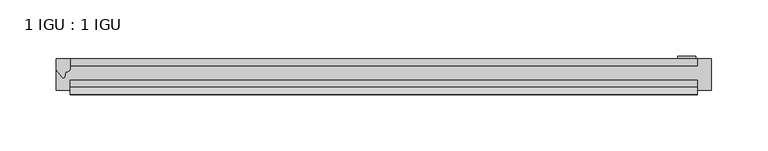
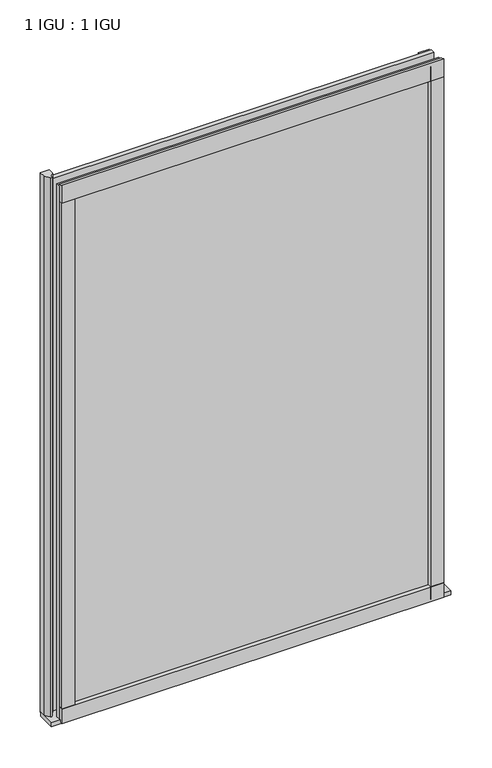
"""IFC4 building model written with IfcOpenShell, lengths in millimetres: plate geometry, 1 IGU : 1 IGU."""

import ifcopenshell
import ifcopenshell.guid

model = None  # the IFC model being written
_history = None  # IfcOwnerHistory: only IFC2X3 demands one
_inside = {}  # id of a spatial element -> (the spatial element, [elements in it])
_under = {}  # id of a project, library or spatial element -> (it, [spatial elements below it])
_declared = {}  # id of a project -> (the project, [libraries it declares])
_typed = {}  # id of a type object -> (the type object, [elements of that type])
_made_of = {}  # id of a material, layer set ... -> (it, [elements and type objects made of it])


def new_model(schema):
    """Start an empty IFC model of exactly this schema.

    Asked for "IFC4X3", IfcOpenShell would pick the latest addendum, in which some entities
    have other attributes; the version numbers below select the first issue.
    IFC2X3 requires an IfcOwnerHistory on every rooted entity: one is made here for all.
    """
    global model, _history
    if schema == "IFC4X3":
        model = ifcopenshell.file(schema_version=(4, 3, 0, 0))
    else:
        model = ifcopenshell.file(schema=schema)
    _inside.clear()
    _under.clear()
    _declared.clear()
    _typed.clear()
    _made_of.clear()
    _history = None
    if model.schema == "IFC2X3":
        org = make("IfcOrganization", Name="unknown")
        user = make(
            "IfcPersonAndOrganization",
            ThePerson=make("IfcPerson", FamilyName="unknown"),
            TheOrganization=org,
        )
        app = make(
            "IfcApplication",
            ApplicationDeveloper=org,
            Version="unknown",
            ApplicationFullName="unknown",
            ApplicationIdentifier="unknown",
        )
        _history = make(
            "IfcOwnerHistory",
            OwningUser=user,
            OwningApplication=app,
            ChangeAction="ADDED",
            CreationDate=0,
        )
    return model


def make(cls, **values):
    """One entity of the class cls with the attributes given. An attribute that is None is left unset."""
    return model.create_entity(
        cls, **{name: value for name, value in values.items() if value is not None}
    )


def rooted(cls, **values):
    """An entity with a GlobalId (a new one), such as an element, a storey or a relation."""
    return make(cls, GlobalId=ifcopenshell.guid.new(), OwnerHistory=_history, **values)


def si_unit(unit_type, name, prefix=None):
    """IfcSIUnit, for example si_unit("LENGTHUNIT", "METRE", prefix="MILLI")."""
    return make("IfcSIUnit", UnitType=unit_type, Prefix=prefix, Name=name)


def assignment(units):
    """IfcUnitAssignment: the units of a project."""
    return None if units is None else make("IfcUnitAssignment", Units=units)


def point(xyz):
    """IfcCartesianPoint."""
    return None if xyz is None else make("IfcCartesianPoint", Coordinates=xyz)


def direction(xyz):
    """IfcDirection."""
    return None if xyz is None else make("IfcDirection", DirectionRatios=xyz)


def frame(location, z_axis=None, x_axis=None):
    """IfcAxis2Placement3D, a coordinate frame: its origin and axes. An axis left out is left unset."""
    return make(
        "IfcAxis2Placement3D",
        Location=point(location),
        Axis=direction(z_axis),
        RefDirection=direction(x_axis),
    )


def frame_2d(location, x_axis=None):
    """IfcAxis2Placement2D, a coordinate frame in the plane: its origin and x axis."""
    return make(
        "IfcAxis2Placement2D", Location=point(location), RefDirection=direction(x_axis)
    )


def origin():
    """The frame at (0, 0, 0) with its axes left unset."""
    return frame((0.0, 0.0, 0.0))


def place(relative_to, where):
    """IfcLocalPlacement: puts the frame where relative to a parent placement (None: the world)."""
    return make(
        "IfcLocalPlacement", PlacementRelTo=relative_to, RelativePlacement=where
    )


def context(
    kind, dimensions, precision=None, world=None, true_north=None, identifier=None
):
    """IfcGeometricRepresentationContext, for example the 3D "Model" context."""
    return make(
        "IfcGeometricRepresentationContext",
        ContextIdentifier=identifier,
        ContextType=kind,
        CoordinateSpaceDimension=dimensions,
        Precision=precision,
        WorldCoordinateSystem=world,
        TrueNorth=true_north,
    )


def project(units=None, contexts=None):
    """IfcProject with its units and contexts."""
    return rooted(
        "IfcProject",
        Name="project",
        RepresentationContexts=contexts,
        UnitsInContext=assignment(units),
    )


def spatial(cls, under=None, at=None, **own):
    """A site, building, storey or space (cls), placed at a placement, below another one or the project."""
    s = rooted(cls, ObjectPlacement=at, **own)
    if under is not None:
        _under.setdefault(under.id(), (under, []))[1].append(s)
    return s


def polyline(points):
    """IfcPolyline through the points."""
    return make("IfcPolyline", Points=[point(p) for p in points])


def circle_curve(where, radius):
    """IfcCircle in the frame where."""
    return make("IfcCircle", Position=where, Radius=radius)


def trimmed(basis, trim1, trim2, sense, master):
    """IfcTrimmedCurve: the piece of a basis curve between two trims."""
    return make(
        "IfcTrimmedCurve",
        BasisCurve=basis,
        Trim1=trim1,
        Trim2=trim2,
        SenseAgreement=sense,
        MasterRepresentation=master,
    )


def segment(curve, same_sense, transition):
    """IfcCompositeCurveSegment."""
    return make(
        "IfcCompositeCurveSegment",
        Transition=transition,
        SameSense=same_sense,
        ParentCurve=curve,
    )


def composite_curve(segments, self_intersect=None):
    """IfcCompositeCurve: segments joined end to end."""
    return make("IfcCompositeCurve", Segments=segments, SelfIntersect=self_intersect)


def outline(outer, holes=None, kind="AREA"):
    """IfcArbitraryClosedProfileDef: a profile drawn as a closed curve; with holes, ...WithVoids."""
    if holes is None:
        return make("IfcArbitraryClosedProfileDef", ProfileType=kind, OuterCurve=outer)
    return make(
        "IfcArbitraryProfileDefWithVoids",
        ProfileType=kind,
        OuterCurve=outer,
        InnerCurves=holes,
    )


def extrude(swept, where, along, depth):
    """IfcExtrudedAreaSolid: the profile swept, set in the frame where, extruded along a direction by depth."""
    return make(
        "IfcExtrudedAreaSolid",
        SweptArea=swept,
        Position=where,
        ExtrudedDirection=direction(along),
        Depth=depth,
    )


def shape(context_of_items, identifier, shape_type, items):
    """IfcShapeRepresentation: the items that make up one representation, for example the "Body"."""
    return make(
        "IfcShapeRepresentation",
        ContextOfItems=context_of_items,
        RepresentationIdentifier=identifier,
        RepresentationType=shape_type,
        Items=items,
    )


def source(mapping_origin, context_of_items, identifier, shape_type, items):
    """IfcRepresentationMap: a shape defined once, which mapped items show again and again."""
    return make(
        "IfcRepresentationMap",
        MappingOrigin=mapping_origin,
        MappedRepresentation=shape(context_of_items, identifier, shape_type, items),
    )


def transform(
    local_origin,
    x_axis=None,
    y_axis=None,
    z_axis=None,
    scale=None,
    scale2=None,
    scale3=None,
    uniform=True,
):
    """IfcCartesianTransformationOperator3D, or its non-uniform kind. x_axis, y_axis, z_axis: its Axis1, 2, 3."""
    if uniform:
        return make(
            "IfcCartesianTransformationOperator3D",
            Axis1=direction(x_axis),
            Axis2=direction(y_axis),
            LocalOrigin=point(local_origin),
            Scale=scale,
            Axis3=direction(z_axis),
        )
    return make(
        "IfcCartesianTransformationOperator3DnonUniform",
        Axis1=direction(x_axis),
        Axis2=direction(y_axis),
        LocalOrigin=point(local_origin),
        Scale=scale,
        Axis3=direction(z_axis),
        Scale2=scale2,
        Scale3=scale3,
    )


def mapped(mapping_source, mapping_target):
    """IfcMappedItem: shows the shape of a source again, moved by a transform."""
    return make(
        "IfcMappedItem", MappingSource=mapping_source, MappingTarget=mapping_target
    )


def made_of(thing, what):
    """Note that an element or type object is made of a material, layer set ...; save() writes the relation."""
    if what is not None:
        _made_of.setdefault(what.id(), (what, []))[1].append(thing)
    return thing


def element(
    cls,
    number,
    at=None,
    inside=None,
    cuts=None,
    type_object=None,
    material=None,
    context=None,
    identifier="Body",
    shape_type=None,
    held_by="IfcProductDefinitionShape",
    body=None,
    shapes=None,
    **own,
):
    """One element of the class cls, such as IfcWall. Its Tag is "e" and its number.

    at: its placement. inside: the storey or other place that contains it. cuts: it is an
    opening in that element (IfcRelVoidsElement). A single representation is given by context,
    identifier, shape_type and body (its items); several are given by shapes. held_by: the class
    of the entity that holds the representations. save() writes the other relations.
    """
    e = rooted(cls, Tag="e%d" % number, ObjectPlacement=at, **own)
    if body is not None:
        shapes = [shape(context, identifier, shape_type, body)]
    if shapes is not None:
        e.Representation = make(held_by, Representations=shapes)
    if inside is not None:
        _inside.setdefault(inside.id(), (inside, []))[1].append(e)
    if cuts is not None:
        rooted(
            "IfcRelVoidsElement", RelatingBuildingElement=cuts, RelatedOpeningElement=e
        )
    if type_object is not None:
        _typed.setdefault(type_object.id(), (type_object, []))[1].append(e)
    return made_of(e, material)


def aggregate(whole, parts):
    """IfcRelAggregates: a whole, such as a stair, and the parts it consists of."""
    return rooted("IfcRelAggregates", RelatingObject=whole, RelatedObjects=parts)


def save(model, path):
    """Write the relations noted so far, then the file.

    IfcRelAggregates (storeys below a building ...), IfcRelContainedInSpatialStructure (elements
    in a storey), IfcRelDefinesByType, IfcRelAssociatesMaterial and IfcRelDeclares: one each for
    every whole, place, type object, material and project.
    """
    for whole, parts in _under.values():
        aggregate(whole, parts)
    for where, things in _inside.values():
        rooted(
            "IfcRelContainedInSpatialStructure",
            RelatedElements=things,
            RelatingStructure=where,
        )
    for kind, things in _typed.values():
        rooted("IfcRelDefinesByType", RelatedObjects=things, RelatingType=kind)
    for what, things in _made_of.values():
        rooted("IfcRelAssociatesMaterial", RelatedObjects=things, RelatingMaterial=what)
    for by, libraries in _declared.values():
        rooted("IfcRelDeclares", RelatingContext=by, RelatedDefinitions=libraries)
    model.write(path)


def plate_1_igu_1_igu_3be115eb(model_context):
    return source(origin(), model_context, "Body", "SweptSolid", [
        extrude(outline(polyline([(278.9031125, 0.0021347), (278.9031125, -6.2992), (-278.9031125, -6.2992), (-278.9031125, 0.0021347), (278.9031125, 0.0021347)])), frame((0.0, 0.0, -19.05), z_axis=(0.0, 0.0, 1.0), x_axis=(1.0, 0.0, 0.0)), (0.0, 0.0, 1.0), 822.3250001),
        extrude(outline(polyline([(-278.9031125, -19.0986653), (278.9031125, -19.0986653), (278.9031125, -25.3978653), (-278.9031125, -25.3978653), (-278.9031125, -19.0986653)])), frame((0.0, 0.0, -19.05), z_axis=(0.0, 0.0, 1.0), x_axis=(1.0, 0.0, 0.0)), (0.0, 0.0, 1.0), 822.3250001),
        extrude(outline(composite_curve([segment(trimmed(circle_curve(frame_2d((10.9021792, -22.6833935)), 11.4916952), [point((0.0, -19.05))], [point((-0.2638007, -25.4))], True, "CARTESIAN"), True, "CONTINUOUS"), segment(polyline([(-0.2638007, -25.4), (-27.9952564, -25.4), (-27.9952564, -19.05), (0.0, -19.05)]), True, "CONTINUOUS")], self_intersect=False)), frame((-291.6031125, 0.0, 0.0), z_axis=(1.0, 0.0, 0.0), x_axis=(0.0, 1.0, 0.0)), (0.0, 0.0, 1.0), 583.206225),
        extrude(outline(composite_curve([segment(polyline([(-278.9031125, 8.8e-06), (-278.9031125, -7.7683362)]), True, "CONTINUOUS"), segment(trimmed(circle_curve(frame_2d((-282.8746104, -7.7683362)), 3.9714979), [point((-278.9031125, -7.7683362))], [point((-283.0020623, -11.7377885))], False, "CARTESIAN"), True, "CONTINUOUS"), segment(polyline([(-283.0020623, -11.7377885), (-283.9820968, -16.012436)]), True, "CONTINUOUS"), segment(trimmed(circle_curve(frame_2d((-285.0833058, -15.7723555)), 1.1270758), [point((-283.9820968, -16.012436))], [point((-286.0371452, -16.372764))], False, "CARTESIAN"), True, "CONTINUOUS"), segment(polyline([(-286.0371452, -16.372764), (-291.6031125, -9.7395025), (-291.6031125, 8.8e-06), (-278.9031125, 8.8e-06)]), True, "CONTINUOUS")], self_intersect=False)), frame((0.0, 0.0, -19.05), z_axis=(0.0, 0.0, 1.0), x_axis=(1.0, 0.0, 0.0)), (0.0, 0.0, 1.0), 832.6374001),
        extrude(outline(composite_curve([segment(polyline([(-31.75, 0.0), (-25.4, 0.0), (-25.4, -22.225)]), True, "CONTINUOUS"), segment(trimmed(circle_curve(frame_2d((-28.575, -28.9113452)), 7.4018806), [point((-25.4, -22.225))], [point((-31.75, -22.225))], True, "CARTESIAN"), True, "CONTINUOUS"), segment(polyline([(-31.75, -22.225), (-31.75, 0.0)]), True, "CONTINUOUS")], self_intersect=False)), frame((-278.9031125, 0.0, 0.0), z_axis=(1.0, 0.0, 0.0), x_axis=(0.0, 1.0, 0.0)), (0.0, 0.0, 1.0), 557.806225),
        extrude(outline(composite_curve([segment(polyline([(-25.4, 806.4500001), (-25.4, 781.0500001), (-31.75, 781.0500001), (-31.75, 809.2228974)]), True, "CONTINUOUS"), segment(trimmed(circle_curve(frame_2d((-24.1401272, 817.9924116)), 11.6109665), [point((-31.75, 809.2228974))], [point((-25.4, 806.4500001))], True, "CARTESIAN"), True, "CONTINUOUS")], self_intersect=False)), frame((-278.9031125, 0.0, 0.0), z_axis=(1.0, 0.0, 0.0), x_axis=(0.0, 1.0, 0.0)), (0.0, 0.0, 1.0), 557.806225),
        extrude(outline(composite_curve([segment(polyline([(259.8531125, -25.4), (278.9031125, -25.4)]), True, "CONTINUOUS"), segment(trimmed(circle_curve(frame_2d((288.3692632, -28.575)), 9.9844196), [point((278.9031125, -25.4))], [point((278.9031125, -31.75))], True, "CARTESIAN"), True, "CONTINUOUS"), segment(polyline([(278.9031125, -31.75), (259.8531125, -31.75), (259.8531125, -25.4)]), True, "CONTINUOUS")], self_intersect=False)), frame((0.0, 0.0, -19.05), z_axis=(0.0, 0.0, 1.0), x_axis=(1.0, 0.0, 0.0)), (0.0, 0.0, 1.0), 822.3250001),
        extrude(outline(polyline([(277.6966125, 2.2860088), (277.6966125, 0.0021347), (261.8216125, 0.0021347), (261.8216125, 2.2860088), (277.6966125, 2.2860088)])), frame((0.0, 0.0, -19.05), z_axis=(0.0, 0.0, 1.0), x_axis=(1.0, 0.0, 0.0)), (0.0, 0.0, 1.0), 822.3250001),
        extrude(outline(composite_curve([segment(trimmed(circle_curve(frame_2d((-288.3692632, -28.575)), 9.9844196), [point((-278.9031125, -31.75))], [point((-278.9031125, -25.4))], True, "CARTESIAN"), True, "CONTINUOUS"), segment(polyline([(-278.9031125, -25.4), (-259.8531125, -25.4), (-259.8531125, -31.75), (-278.9031125, -31.75)]), True, "CONTINUOUS")], self_intersect=False)), frame((0.0, 0.0, -19.05), z_axis=(0.0, 0.0, 1.0), x_axis=(1.0, 0.0, 0.0)), (0.0, 0.0, 1.0), 822.3250001),
    ])


if __name__ == "__main__":
    model = new_model("IFC4")
    model_context = context("Model", 3, world=origin())
    ifc_project = project(units=[si_unit("LENGTHUNIT", "METRE", prefix="MILLI")], contexts=[model_context])
    site = spatial("IfcSite", under=ifc_project)
    building = spatial("IfcBuilding", under=site)
    placement = place(None, origin())
    plate_1_igu_1_igu_shape = plate_1_igu_1_igu_3be115eb(model_context)
    element("IfcPlate", 1, ObjectType="1 IGU : 1 IGU", at=placement, inside=building, context=model_context, shape_type="MappedRepresentation", body=[
        mapped(plate_1_igu_1_igu_shape, transform((0.0, 0.0, 0.0), x_axis=(1.0, 0.0, 0.0), y_axis=(0.0, 1.0, 0.0), z_axis=(0.0, 0.0, 1.0))),
    ])
    save(model, "model.ifc")
